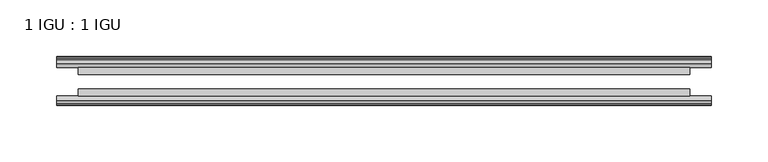
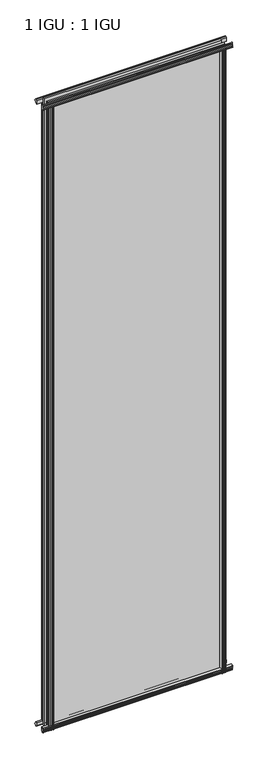
"""IFC4 building model written with IfcOpenShell, lengths in millimetres: plate geometry, 1 IGU : 1 IGU."""

from ifc_helpers import new_model, si_unit, point, frame, frame_2d, origin, place, context, project, spatial, polyline, circle_curve, trimmed, segment, composite_curve, outline, extrude, source, transform, mapped, element, save


def plate_1_igu_1_igu_b97ab132(model_context):
    return source(origin(), model_context, "Body", "SweptSolid", [
        extrude(outline(composite_curve([segment(polyline([(-46.2359545, 2001.8775265), (-46.2359545, 1990.8553092), (-53.3197108, 1992.2226185)]), True, "CONTINUOUS"), segment(trimmed(circle_curve(frame_2d((-53.1447545, 1993.2234413)), 1.016), [point((-53.3197108, 1992.2226185))], [point((-53.8888005, 1993.9152878))], False, "CARTESIAN"), True, "CONTINUOUS"), segment(polyline([(-53.8888005, 1993.9152878), (-52.5859205, 1993.7314413), (-52.5859205, 1999.1416413), (-54.0652165, 1999.4024811), (-52.5859205, 2001.9864413), (-52.5859205, 2005.1614413)]), True, "CONTINUOUS"), segment(trimmed(circle_curve(frame_2d((-51.3159205, 2005.1614413)), 1.27), [point((-52.5859205, 2005.1614413))], [point((-50.4178949, 2006.059467))], False, "CARTESIAN"), True, "CONTINUOUS"), segment(polyline([(-50.4178949, 2006.059467), (-46.2359545, 2001.8775265)]), True, "CONTINUOUS")], self_intersect=False)), frame((-289.5800819, 0.0, 0.0), z_axis=(1.0, 0.0, 0.0), x_axis=(0.0, 1.0, 0.0)), (0.0, 0.0, 1.0), 579.1601637),
        extrude(outline(polyline([(-17.4323375, 2006.3139519), (-14.4859375, 2006.3139519), (-14.4859375, 2001.8689519), (-12.1057405, 2001.4879519), (-12.5656738, 2002.903481), (-11.7644596, 2002.903481), (-11.0569375, 2000.7259519), (-11.7644596, 1998.5484229), (-12.5656738, 1998.5484229), (-12.1057405, 1999.9639519), (-14.4859375, 1999.5829519), (-14.4859375, 1994.3759519), (-20.8359545, 1992.6582293), (-20.8359545, 2003.4795957), (-17.4323375, 2006.3139519)])), frame((-289.5800819, 0.0, 0.0), z_axis=(1.0, 0.0, 0.0), x_axis=(0.0, 1.0, 0.0)), (0.0, 0.0, 1.0), 579.1601637),
        extrude(outline(polyline([(-20.8359545, 1.2049602), (-14.4859375, -0.5127625), (-14.4859375, -5.7197625), (-12.1057405, -6.1007625), (-12.5656738, -4.6852334), (-11.7644596, -4.6852334), (-11.0569375, -6.8627625), (-11.7644596, -9.0402916), (-12.5656738, -9.0402916), (-12.1057405, -7.6247625), (-14.4859375, -8.0057625), (-14.4859375, -12.4507625), (-17.4323375, -12.4507625), (-20.8359545, -9.6164062), (-20.8359545, 1.2049602)])), frame((-289.5800819, 0.0, 0.0), z_axis=(1.0, 0.0, 0.0), x_axis=(0.0, 1.0, 0.0)), (0.0, 0.0, 1.0), 579.1601637),
        extrude(outline(composite_curve([segment(polyline([(-53.3197108, 1.6405709), (-46.2359545, 3.0078803), (-46.2359545, -8.014337), (-50.4178949, -12.1962775)]), True, "CONTINUOUS"), segment(trimmed(circle_curve(frame_2d((-51.3159205, -11.2982519)), 1.27), [point((-50.4178949, -12.1962775))], [point((-52.5859205, -11.2982519))], False, "CARTESIAN"), True, "CONTINUOUS"), segment(polyline([(-52.5859205, -11.2982519), (-52.5859205, -8.1232519), (-54.0652165, -5.5392917), (-52.5859205, -5.2784519), (-52.5859205, 0.1317481), (-53.8888005, -0.0520983)]), True, "CONTINUOUS"), segment(trimmed(circle_curve(frame_2d((-53.1447545, 0.6397481)), 1.016), [point((-53.8888005, -0.0520983))], [point((-53.3197108, 1.6405709))], False, "CARTESIAN"), True, "CONTINUOUS")], self_intersect=False)), frame((-289.5800819, 0.0, 0.0), z_axis=(1.0, 0.0, 0.0), x_axis=(0.0, 1.0, 0.0)), (0.0, 0.0, 1.0), 579.1601637),
        extrude(outline(polyline([(-265.4795621, -12.1057405), (-266.8950912, -12.5656738), (-266.8950912, -11.7644596), (-264.7175621, -11.0569375), (-262.5400331, -11.7644596), (-262.5400331, -12.5656738), (-263.9555621, -12.1057405), (-263.5745621, -14.4859375), (-258.3675621, -14.4859375), (-256.649844, -20.8359375), (-267.47122, -20.8359375), (-270.3055621, -17.4323375), (-270.3055621, -14.4859375), (-265.8605621, -14.4859375), (-265.4795621, -12.1057405)])), frame((0.0, 0.0, -12.6752823), z_axis=(0.0, 0.0, 1.0), x_axis=(1.0, 0.0, 0.0)), (0.0, 0.0, 1.0), 2006.5384717),
        extrude(outline(composite_curve([segment(polyline([(-265.8691197, -46.2359375), (-254.8469161, -46.2359375), (-256.2142287, -53.3197108)]), True, "CONTINUOUS"), segment(trimmed(circle_curve(frame_2d((-257.2150515, -53.1447545)), 1.016), [point((-256.2142287, -53.3197108))], [point((-257.9068979, -53.8888005))], False, "CARTESIAN"), True, "CONTINUOUS"), segment(polyline([(-257.9068979, -53.8888005), (-257.7230515, -52.5859205), (-263.1332515, -52.5859205), (-263.3940913, -54.0652165), (-265.9780515, -52.5859205), (-269.1530515, -52.5859205)]), True, "CONTINUOUS"), segment(trimmed(circle_curve(frame_2d((-269.1530515, -51.3159205)), 1.27), [point((-269.1530515, -52.5859205))], [point((-270.0510771, -50.4178949))], False, "CARTESIAN"), True, "CONTINUOUS"), segment(polyline([(-270.0510771, -50.4178949), (-265.8691197, -46.2359375)]), True, "CONTINUOUS")], self_intersect=False)), frame((0.0, 0.0, -12.6752823), z_axis=(0.0, 0.0, 1.0), x_axis=(1.0, 0.0, 0.0)), (0.0, 0.0, 1.0), 2006.5384717),
        extrude(outline(composite_curve([segment(polyline([(256.2142287, -53.3197108), (254.8469161, -46.2359375), (265.8691197, -46.2359375), (270.0510771, -50.4178949)]), True, "CONTINUOUS"), segment(trimmed(circle_curve(frame_2d((269.1530515, -51.3159205)), 1.27), [point((270.0510771, -50.4178949))], [point((269.1530515, -52.5859205))], False, "CARTESIAN"), True, "CONTINUOUS"), segment(polyline([(269.1530515, -52.5859205), (265.9780515, -52.5859205), (263.3940913, -54.0652165), (263.1332515, -52.5859205), (257.7230515, -52.5859205), (257.946015, -53.8504091)]), True, "CONTINUOUS"), segment(trimmed(circle_curve(frame_2d((257.2150515, -53.1447545)), 1.016), [point((257.946015, -53.8504091))], [point((256.2142287, -53.3197108))], False, "CARTESIAN"), True, "CONTINUOUS")], self_intersect=False)), frame((0.0, 0.0, -12.6752823), z_axis=(0.0, 0.0, 1.0), x_axis=(1.0, 0.0, 0.0)), (0.0, 0.0, 1.0), 2006.5384717),
        extrude(outline(polyline([(262.5400331, -11.7644596), (264.7175621, -11.0569375), (266.8950912, -11.7644596), (266.8950912, -12.5656738), (265.4795621, -12.1057405), (265.8605621, -14.4859375), (270.3055621, -14.4859375), (270.3055621, -17.4323375), (267.47122, -20.8359375), (256.649844, -20.8359375), (258.3675621, -14.4859375), (263.5745621, -14.4859375), (263.9555621, -12.1057405), (262.5400331, -12.5656738), (262.5400331, -11.7644596)])), frame((0.0, 0.0, -12.6752823), z_axis=(0.0, 0.0, 1.0), x_axis=(1.0, 0.0, 0.0)), (0.0, 0.0, 1.0), 2006.5384717),
        extrude(outline(polyline([(270.5300819, -20.8359375), (270.5300819, -27.1859375), (-270.5300819, -27.1859375), (-270.5300819, -20.8359375), (270.5300819, -20.8359375)])), frame((0.0, 0.0, -12.6752823), z_axis=(0.0, 0.0, 1.0), x_axis=(1.0, 0.0, 0.0)), (0.0, 0.0, 1.0), 2019.213754),
        extrude(outline(polyline([(-270.5300819, -46.2359375), (-270.5300819, -39.8859375), (270.5300819, -39.8859375), (270.5300819, -46.2359375), (-270.5300819, -46.2359375)])), frame((0.0, 0.0, -12.6752823), z_axis=(0.0, 0.0, 1.0), x_axis=(1.0, 0.0, 0.0)), (0.0, 0.0, 1.0), 2019.213754),
    ])


if __name__ == "__main__":
    model = new_model("IFC4")
    model_context = context("Model", 3, world=origin())
    ifc_project = project(units=[si_unit("LENGTHUNIT", "METRE", prefix="MILLI")], contexts=[model_context])
    site = spatial("IfcSite", under=ifc_project)
    building = spatial("IfcBuilding", under=site)
    placement = place(None, origin())
    plate_1_igu_1_igu_shape = plate_1_igu_1_igu_b97ab132(model_context)
    element("IfcPlate", 1, ObjectType="1 IGU : 1 IGU", at=placement, inside=building, context=model_context, shape_type="MappedRepresentation", body=[
        mapped(plate_1_igu_1_igu_shape, transform((0.0, 0.0, 0.0), x_axis=(1.0, 0.0, 0.0), y_axis=(0.0, 1.0, 0.0), z_axis=(0.0, 0.0, 1.0))),
    ])
    save(model, "model.ifc")
